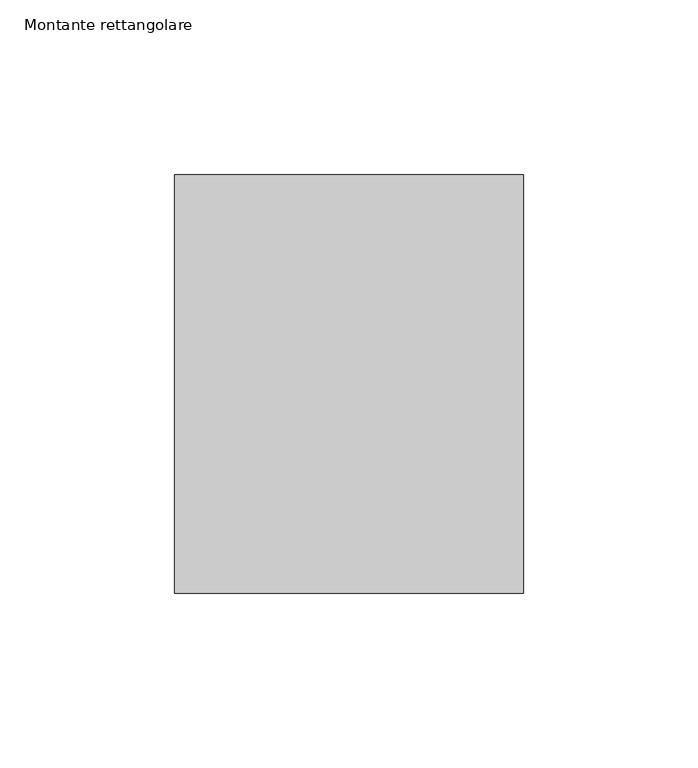
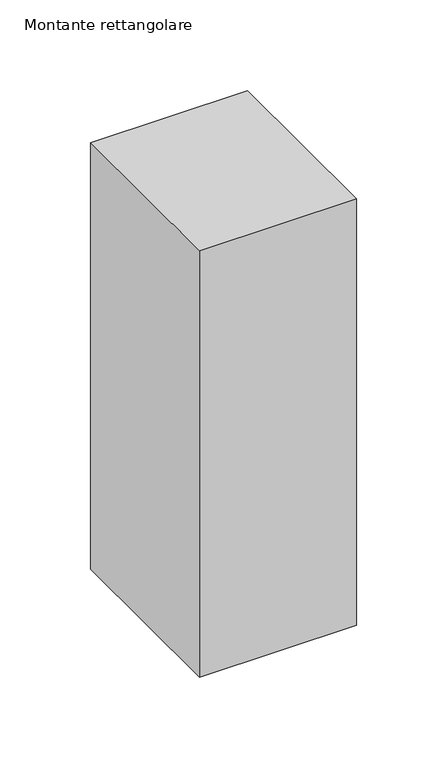
"""IFC4 building model written with IfcOpenShell, lengths in millimetres: member geometry, Montante rettangolare."""

from ifc_helpers import new_model, si_unit, frame, origin, place, context, project, spatial, polyline, outline, extrude, source, transform, mapped, element, save


def montante_rettangolare_45edc77a(model_context):
    return source(origin(), model_context, "Body", "SweptSolid", [
        extrude(outline(polyline([(50.0, 60.0), (50.0, -60.0), (-50.0, -60.0), (-50.0, 60.0), (50.0, 60.0)])), frame((0.0, 0.0, -287.0571675), z_axis=(0.0, 0.0, 1.0), x_axis=(1.0, 0.0, 0.0)), (0.0, 0.0, 1.0), 287.0571675),
    ])


if __name__ == "__main__":
    model = new_model("IFC4")
    model_context = context("Model", 3, world=origin())
    ifc_project = project(units=[si_unit("LENGTHUNIT", "METRE", prefix="MILLI")], contexts=[model_context])
    site = spatial("IfcSite", under=ifc_project)
    building = spatial("IfcBuilding", under=site)
    placement = place(None, origin())
    montante_rettangolare_shape = montante_rettangolare_45edc77a(model_context)
    element("IfcMember", 1, ObjectType="Montante rettangolare", at=placement, inside=building, context=model_context, shape_type="MappedRepresentation", body=[
        mapped(montante_rettangolare_shape, transform((0.0, 0.0, 0.0), x_axis=(1.0, 0.0, 0.0), y_axis=(0.0, 1.0, 0.0), z_axis=(0.0, 0.0, 1.0))),
    ])
    save(model, "model.ifc")
